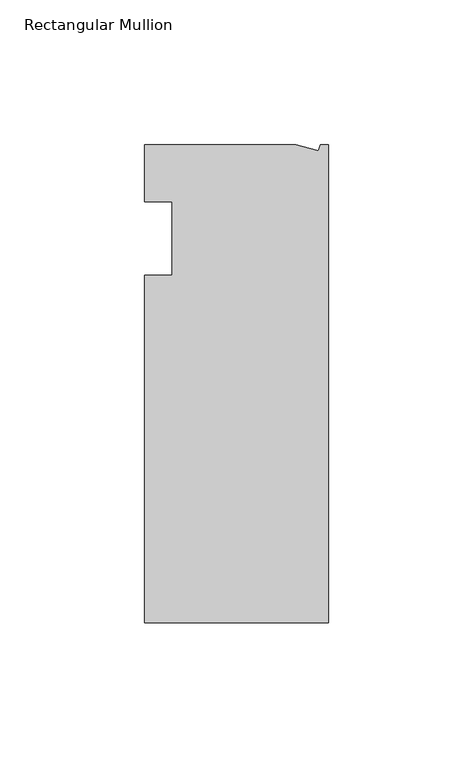
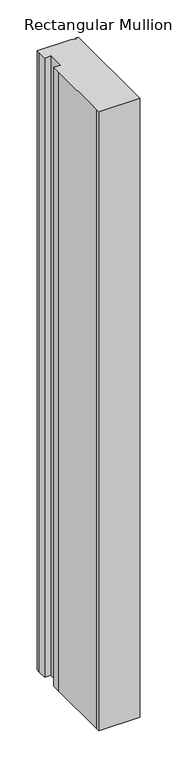
"""IFC4 building model written with IfcOpenShell, lengths in millimetres: member geometry, Rectangular Mullion."""

from ifc_helpers import new_model, si_unit, frame, origin, place, context, project, spatial, polyline, outline, extrude, source, transform, mapped, element, save


def rectangular_mullion_d7bfab16(model_context):
    return source(origin(), model_context, "Body", "SweptSolid", [
        extrude(outline(polyline([(-11.1265412, 19.6597595), (-3.3457217, 17.5748952), (-2.787084, 19.6597595), (0.0, 19.6597595), (0.0, -145.4402405), (-63.5, -145.4402405), (-63.5, -139.091245), (-63.5, -38.3358837), (-63.5, -25.4), (-53.975, -25.4), (-53.975, 0.0), (-63.5, 0.0), (-63.5, 13.6200033), (-63.5, 19.6597595), (-11.1265412, 19.6597595)])), frame((0.0, 0.0, -1016.0), z_axis=(0.0, 0.0, 1.0), x_axis=(1.0, 0.0, 0.0)), (0.0, 0.0, 1.0), 1016.0),
    ])


if __name__ == "__main__":
    model = new_model("IFC4")
    model_context = context("Model", 3, world=origin())
    ifc_project = project(units=[si_unit("LENGTHUNIT", "METRE", prefix="MILLI")], contexts=[model_context])
    site = spatial("IfcSite", under=ifc_project)
    building = spatial("IfcBuilding", under=site)
    placement = place(None, origin())
    rectangular_mullion_shape = rectangular_mullion_d7bfab16(model_context)
    element("IfcMember", 1, ObjectType="Rectangular Mullion", at=placement, inside=building, context=model_context, shape_type="MappedRepresentation", body=[
        mapped(rectangular_mullion_shape, transform((0.0, 0.0, 0.0), x_axis=(1.0, 0.0, 0.0), y_axis=(0.0, 1.0, 0.0), z_axis=(0.0, 0.0, 1.0))),
    ])
    save(model, "model.ifc")
